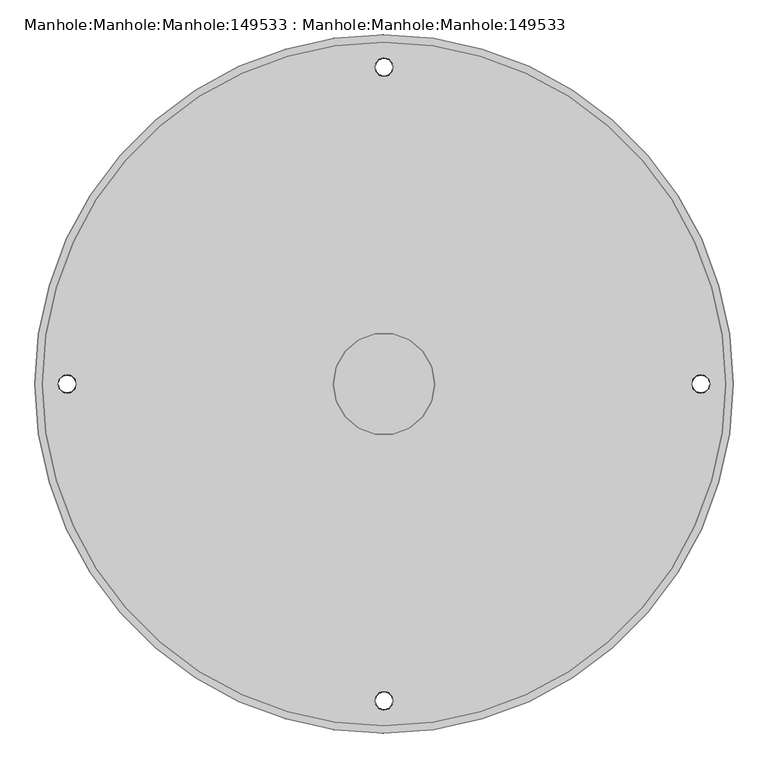
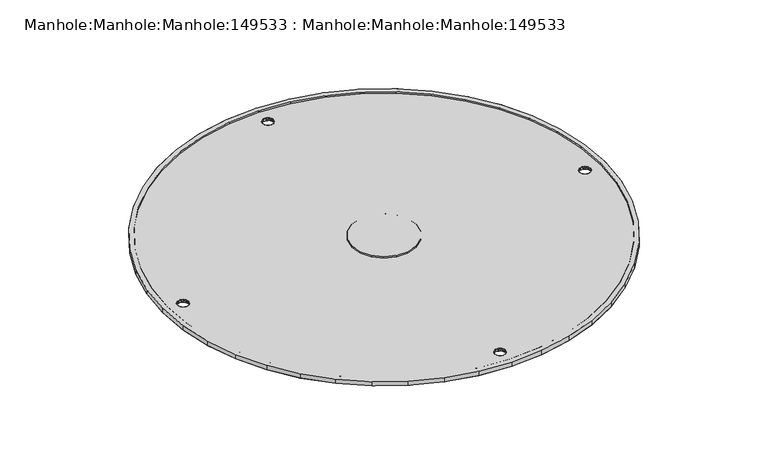
"""IFC4 building model written with IfcOpenShell, lengths in millimetres: proxy geometry, Manhole:Manhole:Manhole:149533 : Manhole:Manhole:Manhole:149533."""

import ifcopenshell
import ifcopenshell.guid

model = None  # the IFC model being written
_history = None  # IfcOwnerHistory: only IFC2X3 demands one
_inside = {}  # id of a spatial element -> (the spatial element, [elements in it])
_under = {}  # id of a project, library or spatial element -> (it, [spatial elements below it])
_declared = {}  # id of a project -> (the project, [libraries it declares])
_typed = {}  # id of a type object -> (the type object, [elements of that type])
_made_of = {}  # id of a material, layer set ... -> (it, [elements and type objects made of it])


def new_model(schema):
    """Start an empty IFC model of exactly this schema.

    Asked for "IFC4X3", IfcOpenShell would pick the latest addendum, in which some entities
    have other attributes; the version numbers below select the first issue.
    IFC2X3 requires an IfcOwnerHistory on every rooted entity: one is made here for all.
    """
    global model, _history
    if schema == "IFC4X3":
        model = ifcopenshell.file(schema_version=(4, 3, 0, 0))
    else:
        model = ifcopenshell.file(schema=schema)
    _inside.clear()
    _under.clear()
    _declared.clear()
    _typed.clear()
    _made_of.clear()
    _history = None
    if model.schema == "IFC2X3":
        org = make("IfcOrganization", Name="unknown")
        user = make(
            "IfcPersonAndOrganization",
            ThePerson=make("IfcPerson", FamilyName="unknown"),
            TheOrganization=org,
        )
        app = make(
            "IfcApplication",
            ApplicationDeveloper=org,
            Version="unknown",
            ApplicationFullName="unknown",
            ApplicationIdentifier="unknown",
        )
        _history = make(
            "IfcOwnerHistory",
            OwningUser=user,
            OwningApplication=app,
            ChangeAction="ADDED",
            CreationDate=0,
        )
    return model


def make(cls, **values):
    """One entity of the class cls with the attributes given. An attribute that is None is left unset."""
    return model.create_entity(
        cls, **{name: value for name, value in values.items() if value is not None}
    )


def rooted(cls, **values):
    """An entity with a GlobalId (a new one), such as an element, a storey or a relation."""
    return make(cls, GlobalId=ifcopenshell.guid.new(), OwnerHistory=_history, **values)


def si_unit(unit_type, name, prefix=None):
    """IfcSIUnit, for example si_unit("LENGTHUNIT", "METRE", prefix="MILLI")."""
    return make("IfcSIUnit", UnitType=unit_type, Prefix=prefix, Name=name)


def assignment(units):
    """IfcUnitAssignment: the units of a project."""
    return None if units is None else make("IfcUnitAssignment", Units=units)


def point(xyz):
    """IfcCartesianPoint."""
    return None if xyz is None else make("IfcCartesianPoint", Coordinates=xyz)


def direction(xyz):
    """IfcDirection."""
    return None if xyz is None else make("IfcDirection", DirectionRatios=xyz)


def frame(location, z_axis=None, x_axis=None):
    """IfcAxis2Placement3D, a coordinate frame: its origin and axes. An axis left out is left unset."""
    return make(
        "IfcAxis2Placement3D",
        Location=point(location),
        Axis=direction(z_axis),
        RefDirection=direction(x_axis),
    )


def origin():
    """The frame at (0, 0, 0) with its axes left unset."""
    return frame((0.0, 0.0, 0.0))


def place(relative_to, where):
    """IfcLocalPlacement: puts the frame where relative to a parent placement (None: the world)."""
    return make(
        "IfcLocalPlacement", PlacementRelTo=relative_to, RelativePlacement=where
    )


def context(
    kind, dimensions, precision=None, world=None, true_north=None, identifier=None
):
    """IfcGeometricRepresentationContext, for example the 3D "Model" context."""
    return make(
        "IfcGeometricRepresentationContext",
        ContextIdentifier=identifier,
        ContextType=kind,
        CoordinateSpaceDimension=dimensions,
        Precision=precision,
        WorldCoordinateSystem=world,
        TrueNorth=true_north,
    )


def project(units=None, contexts=None):
    """IfcProject with its units and contexts."""
    return rooted(
        "IfcProject",
        Name="project",
        RepresentationContexts=contexts,
        UnitsInContext=assignment(units),
    )


def spatial(cls, under=None, at=None, **own):
    """A site, building, storey or space (cls), placed at a placement, below another one or the project."""
    s = rooted(cls, ObjectPlacement=at, **own)
    if under is not None:
        _under.setdefault(under.id(), (under, []))[1].append(s)
    return s


def point_list(points):
    """IfcCartesianPointList2D or 3D."""
    cls = (
        "IfcCartesianPointList2D" if len(points[0]) == 2 else "IfcCartesianPointList3D"
    )
    return make(cls, CoordList=points)


def triangles(points, corners, closed=None, point_numbers=None):
    """IfcTriangulatedFaceSet: each triangle names its three corners, points numbered from 1."""
    return make(
        "IfcTriangulatedFaceSet",
        Coordinates=point_list(points),
        Closed=closed,
        CoordIndex=corners,
        PnIndex=point_numbers,
    )


def shape(context_of_items, identifier, shape_type, items):
    """IfcShapeRepresentation: the items that make up one representation, for example the "Body"."""
    return make(
        "IfcShapeRepresentation",
        ContextOfItems=context_of_items,
        RepresentationIdentifier=identifier,
        RepresentationType=shape_type,
        Items=items,
    )


def source(mapping_origin, context_of_items, identifier, shape_type, items):
    """IfcRepresentationMap: a shape defined once, which mapped items show again and again."""
    return make(
        "IfcRepresentationMap",
        MappingOrigin=mapping_origin,
        MappedRepresentation=shape(context_of_items, identifier, shape_type, items),
    )


def transform(
    local_origin,
    x_axis=None,
    y_axis=None,
    z_axis=None,
    scale=None,
    scale2=None,
    scale3=None,
    uniform=True,
):
    """IfcCartesianTransformationOperator3D, or its non-uniform kind. x_axis, y_axis, z_axis: its Axis1, 2, 3."""
    if uniform:
        return make(
            "IfcCartesianTransformationOperator3D",
            Axis1=direction(x_axis),
            Axis2=direction(y_axis),
            LocalOrigin=point(local_origin),
            Scale=scale,
            Axis3=direction(z_axis),
        )
    return make(
        "IfcCartesianTransformationOperator3DnonUniform",
        Axis1=direction(x_axis),
        Axis2=direction(y_axis),
        LocalOrigin=point(local_origin),
        Scale=scale,
        Axis3=direction(z_axis),
        Scale2=scale2,
        Scale3=scale3,
    )


def mapped(mapping_source, mapping_target):
    """IfcMappedItem: shows the shape of a source again, moved by a transform."""
    return make(
        "IfcMappedItem", MappingSource=mapping_source, MappingTarget=mapping_target
    )


def made_of(thing, what):
    """Note that an element or type object is made of a material, layer set ...; save() writes the relation."""
    if what is not None:
        _made_of.setdefault(what.id(), (what, []))[1].append(thing)
    return thing


def element(
    cls,
    number,
    at=None,
    inside=None,
    cuts=None,
    type_object=None,
    material=None,
    context=None,
    identifier="Body",
    shape_type=None,
    held_by="IfcProductDefinitionShape",
    body=None,
    shapes=None,
    **own,
):
    """One element of the class cls, such as IfcWall. Its Tag is "e" and its number.

    at: its placement. inside: the storey or other place that contains it. cuts: it is an
    opening in that element (IfcRelVoidsElement). A single representation is given by context,
    identifier, shape_type and body (its items); several are given by shapes. held_by: the class
    of the entity that holds the representations. save() writes the other relations.
    """
    e = rooted(cls, Tag="e%d" % number, ObjectPlacement=at, **own)
    if body is not None:
        shapes = [shape(context, identifier, shape_type, body)]
    if shapes is not None:
        e.Representation = make(held_by, Representations=shapes)
    if inside is not None:
        _inside.setdefault(inside.id(), (inside, []))[1].append(e)
    if cuts is not None:
        rooted(
            "IfcRelVoidsElement", RelatingBuildingElement=cuts, RelatedOpeningElement=e
        )
    if type_object is not None:
        _typed.setdefault(type_object.id(), (type_object, []))[1].append(e)
    return made_of(e, material)


def aggregate(whole, parts):
    """IfcRelAggregates: a whole, such as a stair, and the parts it consists of."""
    return rooted("IfcRelAggregates", RelatingObject=whole, RelatedObjects=parts)


def save(model, path):
    """Write the relations noted so far, then the file.

    IfcRelAggregates (storeys below a building ...), IfcRelContainedInSpatialStructure (elements
    in a storey), IfcRelDefinesByType, IfcRelAssociatesMaterial and IfcRelDeclares: one each for
    every whole, place, type object, material and project.
    """
    for whole, parts in _under.values():
        aggregate(whole, parts)
    for where, things in _inside.values():
        rooted(
            "IfcRelContainedInSpatialStructure",
            RelatedElements=things,
            RelatingStructure=where,
        )
    for kind, things in _typed.values():
        rooted("IfcRelDefinesByType", RelatedObjects=things, RelatingType=kind)
    for what, things in _made_of.values():
        rooted("IfcRelAssociatesMaterial", RelatedObjects=things, RelatingMaterial=what)
    for by, libraries in _declared.values():
        rooted("IfcRelDeclares", RelatingContext=by, RelatedDefinitions=libraries)
    model.write(path)


def manhole_manhole_manhole_149533_manhole_manhole_manhole_1e69901c(model_context):
    return source(origin(), model_context, "Body", "Tessellation", [
        triangles([(-93507.5947266, 61905.3795044, 238528.8823242), (-93513.798999, 61992.1323486, 238528.8823242), (-93532.2908936, 62077.1225098, 238528.8823242), (-93562.6797363, 62158.61521, 238528.8823242), (-93604.3702148, 62234.9547363, 238528.8823242), (-93656.4879639, 62304.5830444, 238528.8823242), (-93717.9911865, 62366.0816162, 238528.8823242), (-93787.6241455, 62418.208667, 238528.8823242), (-93863.9543701, 62459.8898438, 238528.8823242), (-93945.4470703, 62490.2879883, 238528.8823242), (-94030.4372314, 62508.7752319, 238528.8823242), (-94117.1947266, 62514.9795044, 238528.8823242), (-94203.9522217, 62508.7752319, 238528.8823242), (-94288.9423828, 62490.2879883, 238528.8823242), (-94370.435083, 62459.8898438, 238528.8823242), (-94446.7653076, 62418.208667, 238528.8823242), (-94516.3982666, 62366.0816162, 238528.8823242), (-94577.9014893, 62304.5830444, 238528.8823242), (-94630.0192383, 62234.9547363, 238528.8823242), (-94671.7097168, 62158.61521, 238528.8823242), (-94702.0985596, 62077.1225098, 238528.8823242), (-94720.5904541, 61992.1323486, 238528.8823242), (-94726.7947266, 61905.3795044, 238528.8823242), (-94720.5904541, 61818.6220093, 238528.8823242), (-94702.0985596, 61733.636499, 238528.8823242), (-94671.7097168, 61652.1437988, 238528.8823242), (-94630.0192383, 61575.8042725, 238528.8823242), (-94577.9014893, 61506.1759644, 238528.8823242), (-94516.3982666, 61444.6727417, 238528.8823242), (-94446.7653076, 61392.5503418, 238528.8823242), (-94370.435083, 61350.869165, 238528.8823242), (-94288.9423828, 61320.4710205, 238528.8823242), (-94203.9522217, 61301.9837769, 238528.8823242), (-94117.1947266, 61295.7795044, 238528.8823242), (-94030.4372314, 61301.9837769, 238528.8823242), (-93945.4470703, 61320.4710205, 238528.8823242), (-93863.9543701, 61350.869165, 238528.8823242), (-93787.6241455, 61392.5503418, 238528.8823242), (-93717.9911865, 61444.6727417, 238528.8823242), (-93656.4879639, 61506.1759644, 238528.8823242), (-93604.3702148, 61575.8042725, 238528.8823242), (-93562.6797363, 61652.1437988, 238528.8823242), (-93532.2908936, 61733.636499, 238528.8823242), (-93513.798999, 61818.6220093, 238528.8823242), (-94714.0978271, 61905.3795044, 238528.8823242), (-94708.0237793, 61990.3278076, 238528.8823242), (-94689.9132568, 62073.5459839, 238528.8823242), (-94660.1569336, 62153.3411133, 238528.8823242), (-94619.3408203, 62228.0853882, 238528.8823242), (-94568.3020752, 62296.2672729, 238528.8823242), (-94508.0824951, 62356.486853, 238528.8823242), (-94439.9006104, 62407.5209473, 238528.8823242), (-94365.1516846, 62448.3370605, 238528.8823242), (-94285.3612061, 62478.0980347, 238528.8823242), (-94202.1383789, 62496.2039063, 238528.8823242), (-94117.1947266, 62502.2779541, 238528.8823242), (-94032.2510742, 62496.2039063, 238528.8823242), (-93949.0282471, 62478.0980347, 238528.8823242), (-93869.2377686, 62448.3370605, 238528.8823242), (-93794.4888428, 62407.5209473, 238528.8823242), (-93726.306958, 62356.486853, 238528.8823242), (-93666.0873779, 62296.2672729, 238528.8823242), (-93615.0486328, 62228.0853882, 238528.8823242), (-93574.2325195, 62153.3411133, 238528.8823242), (-93544.4761963, 62073.5459839, 238528.8823242), (-93526.3749756, 61990.3278076, 238528.8823242), (-93520.291626, 61905.3795044, 238528.8823242), (-93526.3749756, 61820.4312012, 238528.8823242), (-93544.4761963, 61737.2130249, 238528.8823242), (-93574.2325195, 61657.4178955, 238528.8823242), (-93615.0486328, 61582.6689697, 238528.8823242), (-93666.0873779, 61514.4917358, 238528.8823242), (-93726.306958, 61454.2721558, 238528.8823242), (-93794.4888428, 61403.2334106, 238528.8823242), (-93869.2377686, 61362.4172974, 238528.8823242), (-93949.0282471, 61332.6563232, 238528.8823242), (-94032.2510742, 61314.5551025, 238528.8823242), (-94117.1947266, 61308.4810547, 238528.8823242), (-94202.1383789, 61314.5551025, 238528.8823242), (-94285.3612061, 61332.6563232, 238528.8823242), (-94365.1516846, 61362.4172974, 238528.8823242), (-94439.9006104, 61403.2334106, 238528.8823242), (-94508.0824951, 61454.2721558, 238528.8823242), (-94568.3020752, 61514.4917358, 238528.8823242), (-94619.3408203, 61582.6689697, 238528.8823242), (-94660.1569336, 61657.4178955, 238528.8823242), (-94689.9132568, 61737.2130249, 238528.8823242), (-94708.0237793, 61820.4312012, 238528.8823242), (-94206.091626, 61905.3795044, 238528.8823242), (-94200.7338135, 61874.9720581, 238528.8823242), (-94185.2928955, 61848.2341553, 238528.8823242), (-94161.6478271, 61828.388855, 238528.8823242), (-94132.6356445, 61817.8313599, 238528.8823242), (-94101.7538086, 61817.8313599, 238528.8823242), (-94072.741626, 61828.388855, 238528.8823242), (-94049.0965576, 61848.2341553, 238528.8823242), (-94033.6556396, 61874.9720581, 238528.8823242), (-94028.2978271, 61905.3795044, 238528.8823242), (-94033.6556396, 61935.7822998, 238528.8823242), (-94049.0965576, 61962.5248535, 238528.8823242), (-94072.741626, 61982.3701538, 238528.8823242), (-94101.7538086, 61992.9276489, 238528.8823242), (-94132.6356445, 61992.9276489, 238528.8823242), (-94161.6478271, 61982.3701538, 238528.8823242), (-94185.2928955, 61962.5248535, 238528.8823242), (-94200.7338135, 61935.7822998, 238528.8823242), (-93507.5947266, 61905.3795044, 238516.176123), (-93513.798999, 61818.6220093, 238516.176123), (-93532.2908936, 61733.636499, 238516.176123), (-93562.6797363, 61652.1437988, 238516.176123), (-93604.3702148, 61575.8042725, 238516.176123), (-93656.4879639, 61506.1759644, 238516.176123), (-93717.9911865, 61444.6727417, 238516.176123), (-93787.6241455, 61392.5503418, 238516.176123), (-93863.9543701, 61350.869165, 238516.176123), (-93945.4470703, 61320.4710205, 238516.176123), (-94030.4372314, 61301.9837769, 238516.176123), (-94117.1947266, 61295.7795044, 238516.176123), (-94203.9522217, 61301.9837769, 238516.176123), (-94288.9423828, 61320.4710205, 238516.176123), (-94370.435083, 61350.869165, 238516.176123), (-94446.7653076, 61392.5503418, 238516.176123), (-94516.3982666, 61444.6727417, 238516.176123), (-94577.9014893, 61506.1759644, 238516.176123), (-94630.0192383, 61575.8042725, 238516.176123), (-94671.7097168, 61652.1437988, 238516.176123), (-94702.0985596, 61733.636499, 238516.176123), (-94720.5904541, 61818.6220093, 238516.176123), (-94726.7947266, 61905.3795044, 238516.176123), (-94720.5904541, 61992.1323486, 238516.176123), (-94702.0985596, 62077.1225098, 238516.176123), (-94671.7097168, 62158.61521, 238516.176123), (-94630.0192383, 62234.9547363, 238516.176123), (-94577.9014893, 62304.5830444, 238516.176123), (-94516.3982666, 62366.0816162, 238516.176123), (-94446.7653076, 62418.208667, 238516.176123), (-94370.435083, 62459.8898438, 238516.176123), (-94288.9423828, 62490.2879883, 238516.176123), (-94203.9522217, 62508.7752319, 238516.176123), (-94117.1947266, 62514.9795044, 238516.176123), (-94030.4372314, 62508.7752319, 238516.176123), (-93945.4470703, 62490.2879883, 238516.176123), (-93863.9543701, 62459.8898438, 238516.176123), (-93787.6241455, 62418.208667, 238516.176123), (-93717.9911865, 62366.0816162, 238516.176123), (-93656.4879639, 62304.5830444, 238516.176123), (-93604.3702148, 62234.9547363, 238516.176123), (-93562.6797363, 62158.61521, 238516.176123), (-93532.2908936, 62077.1225098, 238516.176123), (-93513.798999, 61992.1323486, 238516.176123), (-94101.1864014, 61352.0318848, 238516.176123), (-94102.7677002, 61358.9802979, 238516.176123), (-94107.2139404, 61364.5520508, 238516.176123), (-94113.6321533, 61367.6402344, 238516.176123), (-94120.7572998, 61367.6402344, 238516.176123), (-94127.1755127, 61364.5520508, 238516.176123), (-94131.6217529, 61358.9802979, 238516.176123), (-94133.2030518, 61352.0318848, 238516.176123), (-94131.6217529, 61345.0834717, 238516.176123), (-94127.1755127, 61339.5163696, 238516.176123), (-94120.7572998, 61336.4235352, 238516.176123), (-94113.6321533, 61336.4235352, 238516.176123), (-94107.2139404, 61339.5163696, 238516.176123), (-94102.7677002, 61345.0834717, 238516.176123), (-94101.1864014, 62458.727124, 238516.176123), (-94102.7677002, 62465.6708862, 238516.176123), (-94107.2139404, 62471.2426392, 238516.176123), (-94113.6321533, 62474.3354736, 238516.176123), (-94120.7572998, 62474.3354736, 238516.176123), (-94127.1755127, 62471.2426392, 238516.176123), (-94131.6217529, 62465.6708862, 238516.176123), (-94133.2030518, 62458.727124, 238516.176123), (-94131.6217529, 62451.7787109, 238516.176123), (-94127.1755127, 62446.206958, 238516.176123), (-94120.7572998, 62443.1141235, 238516.176123), (-94113.6321533, 62443.1141235, 238516.176123), (-94107.2139404, 62446.206958, 238516.176123), (-94102.7677002, 62451.7787109, 238516.176123), (-94654.5293701, 61905.3795044, 238516.176123), (-94656.1199707, 61912.3279175, 238516.176123), (-94660.5569092, 61917.8950195, 238516.176123), (-94666.9751221, 61920.987854, 238516.176123), (-94674.1002686, 61920.987854, 238516.176123), (-94680.5277832, 61917.8950195, 238516.176123), (-94684.9647217, 61912.3279175, 238516.176123), (-94686.5553223, 61905.3795044, 238516.176123), (-94684.9647217, 61898.4310913, 238516.176123), (-94680.5277832, 61892.8593384, 238516.176123), (-94674.1002686, 61889.7711548, 238516.176123), (-94666.9751221, 61889.7711548, 238516.176123), (-94660.5569092, 61892.8593384, 238516.176123), (-94656.1199707, 61898.4310913, 238516.176123), (-93579.860083, 61905.3795044, 238516.176123), (-93578.2694824, 61898.4310913, 238516.176123), (-93573.8325439, 61892.8593384, 238516.176123), (-93567.4143311, 61889.7711548, 238516.176123), (-93560.2891846, 61889.7711548, 238516.176123), (-93553.8616699, 61892.8593384, 238516.176123), (-93549.4247314, 61898.4310913, 238516.176123), (-93547.8341309, 61905.3795044, 238516.176123), (-93549.4247314, 61912.3279175, 238516.176123), (-93553.8616699, 61917.8950195, 238516.176123), (-93560.2891846, 61920.987854, 238516.176123), (-93567.4143311, 61920.987854, 238516.176123), (-93573.8325439, 61917.8950195, 238516.176123), (-93578.2694824, 61912.3279175, 238516.176123), (-94132.1333496, 61356.0362915, 238524.1198242), (-94131.0636475, 61360.0360474, 238524.1198242), (-94106.2558594, 61362.9661011, 238524.1198242), (-94104.9908203, 61361.7661743, 238516.176123), (-94129.3986328, 61361.7661743, 238516.176123), (-94132.4124023, 61355.5060913, 238516.176123), (-94133.2030518, 61352.0318848, 238524.1198242), (-94102.2561035, 61356.0362915, 238524.1198242), (-94101.9770508, 61355.5060913, 238516.176123), (-94101.1864014, 61352.0318848, 238524.1198242), (-94125.20354, 61365.8961548, 238524.1198242), (-94128.1335937, 61362.9661011, 238524.1198242), (-94117.1947266, 61368.0448608, 238524.1198242), (-94117.1947266, 61367.6402344, 238516.176123), (-94110.4230469, 61366.0961426, 238516.176123), (-94109.1859131, 61365.8961548, 238524.1198242), (-94113.1949707, 61366.9705078, 238524.1198242), (-94121.1944824, 61366.9705078, 238524.1198242), (-94123.9664063, 61366.0961426, 238516.176123), (-94103.3258057, 61360.0360474, 238524.1198242), (-94103.3258057, 61344.0277222, 238524.1198242), (-94102.2561035, 61348.027478, 238524.1198242), (-94129.3986328, 61342.3022461, 238516.176123), (-94128.1335937, 61341.0976685, 238524.1198242), (-94104.9908203, 61342.3022461, 238516.176123), (-94101.9770508, 61348.5576782, 238516.176123), (-94132.4124023, 61348.5576782, 238516.176123), (-94132.1333496, 61348.027478, 238524.1198242), (-94106.2558594, 61341.0976685, 238524.1198242), (-94109.1859131, 61338.1676147, 238524.1198242), (-94117.1947266, 61336.4235352, 238516.176123), (-94117.1947266, 61336.0235596, 238524.1198242), (-94125.20354, 61338.1676147, 238524.1198242), (-94123.9664063, 61337.967627, 238516.176123), (-94121.1944824, 61337.0932617, 238524.1198242), (-94113.1949707, 61337.0932617, 238524.1198242), (-94110.4230469, 61337.967627, 238516.176123), (-94131.0636475, 61344.0277222, 238524.1198242), (-94131.0636475, 62466.7312866, 238524.1198242), (-94132.1333496, 62462.7268799, 238524.1198242), (-94104.9908203, 62468.4567627, 238516.176123), (-94106.2558594, 62469.6613403, 238524.1198242), (-94129.3986328, 62468.4567627, 238516.176123), (-94133.2030518, 62458.727124, 238524.1198242), (-94132.4124023, 62462.1966797, 238516.176123), (-94101.1864014, 62458.727124, 238524.1198242), (-94101.9770508, 62462.1966797, 238516.176123), (-94102.2561035, 62462.7268799, 238524.1198242), (-94128.1335937, 62469.6613403, 238524.1198242), (-94125.20354, 62472.591394, 238524.1198242), (-94117.1947266, 62474.3354736, 238516.176123), (-94117.1947266, 62474.7354492, 238524.1198242), (-94109.1859131, 62472.591394, 238524.1198242), (-94110.4230469, 62472.786731, 238516.176123), (-94113.1949707, 62473.6657471, 238524.1198242), (-94121.1944824, 62473.6657471, 238524.1198242), (-94123.9664063, 62472.786731, 238516.176123), (-94103.3258057, 62466.7312866, 238524.1198242), (-94102.2561035, 62454.7227173, 238524.1198242), (-94103.3258057, 62450.7183105, 238524.1198242), (-94128.1335937, 62447.7882568, 238524.1198242), (-94129.3986328, 62448.9928345, 238516.176123), (-94104.9908203, 62448.9928345, 238516.176123), (-94101.9770508, 62455.2529175, 238516.176123), (-94132.1333496, 62454.7227173, 238524.1198242), (-94132.4124023, 62455.2529175, 238516.176123), (-94109.1859131, 62444.8582031, 238524.1198242), (-94106.2558594, 62447.7882568, 238524.1198242), (-94117.1947266, 62442.7141479, 238524.1198242), (-94117.1947266, 62443.1141235, 238516.176123), (-94123.9664063, 62444.6628662, 238516.176123), (-94125.20354, 62444.8582031, 238524.1198242), (-94121.1944824, 62443.788501, 238524.1198242), (-94113.1949707, 62443.788501, 238524.1198242), (-94110.4230469, 62444.6628662, 238516.176123), (-94131.0636475, 62450.7183105, 238524.1198242), (-94684.4066162, 61913.383667, 238524.1198242), (-94685.4763184, 61909.3792603, 238524.1198242), (-94659.6081299, 61916.3137207, 238524.1198242), (-94658.3337891, 61915.1091431, 238516.176123), (-94682.7416016, 61915.1091431, 238516.176123), (-94686.5553223, 61905.3795044, 238524.1198242), (-94685.7553711, 61908.8537109, 238516.176123), (-94655.5990723, 61909.3792603, 238524.1198242), (-94655.3200195, 61908.8537109, 238516.176123), (-94654.5293701, 61905.3795044, 238524.1198242), (-94681.4765625, 61916.3137207, 238524.1198242), (-94678.5465088, 61919.2437744, 238524.1198242), (-94670.5376953, 61920.987854, 238516.176123), (-94670.5376953, 61921.3878296, 238524.1198242), (-94663.7660156, 61919.4437622, 238516.176123), (-94662.5381836, 61919.2437744, 238524.1198242), (-94666.5379395, 61920.3181274, 238524.1198242), (-94674.5467529, 61920.3181274, 238524.1198242), (-94677.3186768, 61919.4437622, 238516.176123), (-94656.6780762, 61913.383667, 238524.1198242), (-94655.5990723, 61901.3750977, 238524.1198242), (-94656.6780762, 61897.3753418, 238524.1198242), (-94682.7416016, 61895.6452148, 238516.176123), (-94681.4765625, 61894.4452881, 238524.1198242), (-94658.3337891, 61895.6452148, 238516.176123), (-94655.3200195, 61901.9052979, 238516.176123), (-94685.7553711, 61901.9052979, 238516.176123), (-94685.4763184, 61901.3750977, 238524.1198242), (-94662.5381836, 61891.5152344, 238524.1198242), (-94659.6081299, 61894.4452881, 238524.1198242), (-94670.5376953, 61889.7711548, 238516.176123), (-94670.5376953, 61889.3665283, 238524.1198242), (-94678.5465088, 61891.5152344, 238524.1198242), (-94677.3186768, 61891.3152466, 238516.176123), (-94674.5467529, 61890.4408813, 238524.1198242), (-94666.5379395, 61890.4408813, 238524.1198242), (-94663.7660156, 61891.3152466, 238516.176123), (-94684.4066162, 61897.3753418, 238524.1198242), (-93549.9828369, 61897.3753418, 238524.1198242), (-93548.9131348, 61901.3750977, 238524.1198242), (-93574.7813232, 61894.4452881, 238524.1198242), (-93576.0556641, 61895.6452148, 238516.176123), (-93551.6478516, 61895.6452148, 238516.176123), (-93547.8341309, 61905.3795044, 238524.1198242), (-93548.634082, 61901.9052979, 238516.176123), (-93578.7903809, 61901.3750977, 238524.1198242), (-93579.0694336, 61901.9052979, 238516.176123), (-93579.860083, 61905.3795044, 238524.1198242), (-93552.9128906, 61894.4452881, 238524.1198242), (-93555.8429443, 61891.5152344, 238524.1198242), (-93563.8517578, 61889.7711548, 238516.176123), (-93563.8517578, 61889.3665283, 238524.1198242), (-93570.6234375, 61891.3152466, 238516.176123), (-93571.8512695, 61891.5152344, 238524.1198242), (-93567.8515137, 61890.4408813, 238524.1198242), (-93559.8427002, 61890.4408813, 238524.1198242), (-93557.0800781, 61891.3152466, 238516.176123), (-93577.711377, 61897.3753418, 238524.1198242), (-93578.7903809, 61909.3792603, 238524.1198242), (-93577.711377, 61913.383667, 238524.1198242), (-93551.6478516, 61915.1091431, 238516.176123), (-93552.9128906, 61916.3137207, 238524.1198242), (-93576.0556641, 61915.1091431, 238516.176123), (-93579.0694336, 61908.8537109, 238516.176123), (-93548.634082, 61908.8537109, 238516.176123), (-93548.9131348, 61909.3792603, 238524.1198242), (-93571.8512695, 61919.2437744, 238524.1198242), (-93574.7813232, 61916.3137207, 238524.1198242), (-93563.8517578, 61920.987854, 238516.176123), (-93563.8517578, 61921.3878296, 238524.1198242), (-93555.8429443, 61919.2437744, 238524.1198242), (-93557.0800781, 61919.4437622, 238516.176123), (-93559.8427002, 61920.3181274, 238524.1198242), (-93567.8515137, 61920.3181274, 238524.1198242), (-93570.6234375, 61919.4437622, 238516.176123), (-93549.9828369, 61913.383667, 238524.1198242), (-93520.291626, 61905.3795044, 238524.1198242), (-93526.3749756, 61990.3278076, 238524.1198242), (-93544.4761963, 62073.5459839, 238524.1198242), (-93574.2325195, 62153.3411133, 238524.1198242), (-93615.0486328, 62228.0853882, 238524.1198242), (-93666.0873779, 62296.2672729, 238524.1198242), (-93726.306958, 62356.486853, 238524.1198242), (-93794.4888428, 62407.5209473, 238524.1198242), (-93869.2377686, 62448.3370605, 238524.1198242), (-93949.0282471, 62478.0980347, 238524.1198242), (-94032.2510742, 62496.2039063, 238524.1198242), (-94117.1947266, 62502.2779541, 238524.1198242), (-94202.1383789, 62496.2039063, 238524.1198242), (-94285.3612061, 62478.0980347, 238524.1198242), (-94365.1516846, 62448.3370605, 238524.1198242), (-94439.9006104, 62407.5209473, 238524.1198242), (-94508.0824951, 62356.486853, 238524.1198242), (-94568.3020752, 62296.2672729, 238524.1198242), (-94619.3408203, 62228.0853882, 238524.1198242), (-94660.1569336, 62153.3411133, 238524.1198242), (-94689.9132568, 62073.5459839, 238524.1198242), (-94708.0237793, 61990.3278076, 238524.1198242), (-94714.0978271, 61905.3795044, 238524.1198242), (-94708.0237793, 61820.4312012, 238524.1198242), (-94689.9132568, 61737.2130249, 238524.1198242), (-94660.1569336, 61657.4178955, 238524.1198242), (-94619.3408203, 61582.6689697, 238524.1198242), (-94568.3020752, 61514.4917358, 238524.1198242), (-94508.0824951, 61454.2721558, 238524.1198242), (-94439.9006104, 61403.2334106, 238524.1198242), (-94365.1516846, 61362.4172974, 238524.1198242), (-94285.3612061, 61332.6563232, 238524.1198242), (-94202.1383789, 61314.5551025, 238524.1198242), (-94117.1947266, 61308.4810547, 238524.1198242), (-94032.2510742, 61314.5551025, 238524.1198242), (-93949.0282471, 61332.6563232, 238524.1198242), (-93869.2377686, 61362.4172974, 238524.1198242), (-93794.4888428, 61403.2334106, 238524.1198242), (-93726.306958, 61454.2721558, 238524.1198242), (-93666.0873779, 61514.4917358, 238524.1198242), (-93615.0486328, 61582.6689697, 238524.1198242), (-93574.2325195, 61657.4178955, 238524.1198242), (-93544.4761963, 61737.2130249, 238524.1198242), (-93526.3749756, 61820.4312012, 238524.1198242), (-94028.2978271, 61905.3795044, 238524.1198242), (-94033.6556396, 61874.9720581, 238524.1198242), (-94049.0965576, 61848.2341553, 238524.1198242), (-94072.741626, 61828.388855, 238524.1198242), (-94101.7538086, 61817.8313599, 238524.1198242), (-94132.6356445, 61817.8313599, 238524.1198242), (-94161.6478271, 61828.388855, 238524.1198242), (-94185.2928955, 61848.2341553, 238524.1198242), (-94200.7338135, 61874.9720581, 238524.1198242), (-94206.091626, 61905.3795044, 238524.1198242), (-94200.7338135, 61935.7822998, 238524.1198242), (-94185.2928955, 61962.5248535, 238524.1198242), (-94161.6478271, 61982.3701538, 238524.1198242), (-94132.6356445, 61992.9276489, 238524.1198242), (-94101.7538086, 61992.9276489, 238524.1198242), (-94072.741626, 61982.3701538, 238524.1198242), (-94049.0965576, 61962.5248535, 238524.1198242), (-94033.6556396, 61935.7822998, 238524.1198242)], [[38, 74, 75], [74, 38, 39], [39, 40, 73], [39, 73, 74], [35, 36, 77], [77, 36, 76], [35, 77, 78], [76, 37, 75], [37, 76, 36], [75, 37, 38], [73, 40, 72], [43, 44, 68], [44, 67, 68], [67, 44, 1], [67, 1, 66], [43, 68, 69], [72, 41, 71], [41, 72, 40], [71, 41, 42], [42, 69, 70], [69, 42, 43], [42, 70, 71], [33, 34, 79], [79, 80, 33], [78, 79, 34], [34, 35, 78], [33, 80, 32], [32, 81, 31], [81, 32, 80], [31, 81, 82], [29, 30, 83], [82, 30, 31], [82, 83, 30], [84, 29, 83], [29, 84, 28], [85, 27, 28], [27, 85, 86], [85, 28, 84], [25, 26, 87], [86, 26, 27], [87, 26, 86], [88, 24, 25], [24, 88, 45], [88, 25, 87], [66, 2, 65], [2, 66, 1], [64, 65, 3], [3, 65, 2], [64, 3, 4], [4, 63, 64], [63, 4, 5], [63, 5, 62], [62, 6, 61], [6, 62, 5], [61, 6, 7], [60, 7, 8], [8, 9, 59], [59, 9, 58], [8, 59, 60], [58, 10, 57], [10, 58, 9], [57, 10, 11], [56, 11, 12], [11, 56, 57], [56, 12, 55], [60, 61, 7], [48, 20, 21], [20, 48, 49], [19, 49, 18], [18, 49, 50], [49, 19, 20], [45, 46, 23], [23, 46, 22], [45, 23, 24], [22, 47, 21], [47, 22, 46], [21, 47, 48], [53, 54, 14], [13, 14, 54], [13, 55, 12], [13, 54, 55], [53, 14, 15], [50, 17, 18], [50, 51, 17], [17, 51, 16], [52, 15, 16], [15, 52, 53], [52, 16, 51], [104, 105, 106], [106, 89, 104], [101, 104, 98], [103, 104, 102], [101, 99, 100], [102, 104, 101], [101, 98, 99], [98, 104, 89], [90, 91, 93], [92, 93, 91], [95, 89, 93], [97, 98, 95], [97, 95, 96], [89, 95, 98], [93, 94, 95], [93, 89, 90], [148, 206, 147], [149, 205, 148], [150, 203, 204], [203, 150, 202], [149, 150, 205], [146, 147, 206], [142, 143, 177], [143, 144, 177], [176, 145, 146], [144, 145, 176], [178, 141, 142], [204, 205, 150], [202, 107, 201], [107, 202, 150], [201, 107, 200], [199, 200, 107], [198, 199, 107], [198, 108, 197], [206, 176, 146], [205, 206, 148], [196, 197, 108], [154, 193, 194], [194, 195, 110], [176, 206, 193], [198, 107, 108], [193, 179, 175], [140, 167, 168], [140, 141, 167], [140, 168, 169], [165, 166, 141], [178, 165, 141], [141, 166, 167], [173, 138, 139], [170, 140, 169], [139, 140, 170], [171, 172, 139], [170, 171, 139], [172, 173, 139], [174, 137, 138], [174, 136, 137], [176, 193, 175], [136, 174, 175], [144, 176, 177], [174, 138, 173], [175, 134, 135], [135, 136, 175], [133, 134, 180], [133, 180, 132], [132, 181, 131], [131, 181, 130], [175, 180, 134], [178, 142, 177], [195, 196, 108], [195, 109, 110], [194, 110, 111], [194, 112, 154], [111, 112, 194], [112, 113, 154], [154, 114, 153], [153, 114, 115], [155, 193, 154], [193, 155, 179], [153, 115, 116], [154, 113, 114], [122, 155, 156], [151, 152, 117], [164, 151, 117], [164, 117, 163], [117, 152, 116], [163, 117, 118], [152, 153, 116], [158, 159, 119], [157, 158, 119], [162, 118, 161], [118, 162, 163], [160, 161, 118], [160, 119, 159], [119, 160, 118], [156, 157, 120], [182, 130, 181], [181, 132, 180], [179, 155, 192], [191, 192, 126], [179, 180, 175], [184, 185, 129], [184, 129, 130], [186, 187, 129], [188, 129, 187], [186, 129, 185], [184, 130, 183], [182, 183, 130], [123, 124, 155], [192, 155, 124], [121, 122, 156], [123, 155, 122], [125, 192, 124], [189, 190, 128], [188, 189, 128], [128, 191, 127], [190, 191, 128], [126, 127, 191], [125, 126, 192], [188, 128, 129], [156, 120, 121], [119, 120, 157], [195, 108, 109], [27, 26, 126], [126, 125, 27], [26, 25, 127], [127, 126, 26], [28, 27, 125], [125, 124, 28], [32, 31, 121], [121, 120, 32], [33, 32, 120], [120, 119, 33], [30, 29, 123], [123, 122, 30], [31, 30, 122], [122, 121, 31], [29, 28, 124], [124, 123, 29], [34, 33, 118], [119, 118, 33], [127, 25, 128], [24, 128, 25], [128, 24, 129], [23, 129, 24], [38, 37, 115], [115, 114, 38], [36, 35, 117], [117, 116, 36], [37, 36, 116], [116, 115, 37], [39, 38, 114], [114, 113, 39], [43, 42, 110], [110, 109, 43], [44, 43, 108], [109, 108, 43], [41, 40, 111], [112, 111, 40], [42, 41, 111], [111, 110, 42], [40, 39, 113], [113, 112, 40], [1, 44, 107], [108, 107, 44], [118, 117, 35], [35, 34, 118], [1, 107, 2], [150, 2, 107], [3, 149, 4], [148, 4, 149], [2, 150, 149], [149, 3, 2], [4, 148, 5], [147, 5, 148], [11, 10, 142], [142, 141, 11], [6, 146, 145], [145, 7, 6], [12, 11, 141], [141, 140, 12], [5, 147, 6], [146, 6, 147], [7, 145, 8], [144, 8, 145], [144, 143, 9], [9, 8, 144], [10, 9, 143], [143, 142, 10], [16, 15, 137], [137, 136, 16], [14, 13, 139], [139, 138, 14], [15, 14, 138], [138, 137, 15], [17, 16, 136], [136, 135, 17], [21, 20, 132], [132, 131, 21], [22, 21, 130], [131, 130, 21], [19, 18, 134], [134, 133, 19], [20, 19, 133], [133, 132, 20], [18, 17, 135], [135, 134, 18], [23, 22, 129], [130, 129, 22], [140, 139, 13], [13, 12, 140], [207, 157, 208], [209, 153, 210], [208, 157, 211], [158, 212, 213], [214, 215, 216], [156, 217, 218], [154, 219, 220], [155, 220, 219], [221, 153, 222], [211, 218, 208], [212, 157, 207], [212, 207, 213], [222, 223, 221], [155, 219, 224], [214, 152, 215], [217, 225, 224], [211, 156, 218], [209, 222, 153], [221, 223, 154], [155, 224, 225], [209, 210, 226], [214, 226, 152], [223, 219, 154], [151, 216, 215], [152, 226, 210], [217, 156, 225], [227, 164, 228], [229, 160, 230], [231, 164, 227], [216, 232, 151], [213, 233, 234], [235, 236, 163], [161, 237, 238], [162, 238, 237], [239, 160, 240], [227, 235, 231], [228, 164, 232], [216, 228, 232], [240, 241, 239], [242, 238, 162], [233, 159, 234], [242, 243, 236], [235, 163, 231], [160, 239, 230], [161, 241, 240], [243, 242, 162], [244, 229, 230], [159, 244, 234], [161, 238, 241], [233, 213, 158], [229, 244, 159], [243, 163, 236], [245, 171, 246], [247, 167, 248], [249, 171, 245], [250, 251, 172], [252, 253, 254], [255, 256, 170], [258, 168, 257], [257, 169, 258], [259, 167, 260], [245, 255, 249], [246, 171, 251], [250, 246, 251], [260, 261, 259], [262, 258, 169], [253, 166, 254], [262, 263, 256], [255, 170, 249], [167, 259, 248], [168, 261, 260], [263, 262, 169], [264, 247, 248], [166, 264, 254], [168, 258, 261], [253, 252, 165], [247, 264, 166], [263, 170, 256], [265, 178, 266], [267, 174, 268], [266, 178, 269], [165, 270, 252], [271, 272, 250], [177, 273, 274], [175, 275, 276], [176, 276, 275], [277, 174, 278], [269, 274, 266], [270, 178, 265], [270, 265, 252], [278, 279, 277], [176, 275, 280], [271, 173, 272], [273, 281, 280], [269, 177, 274], [267, 278, 174], [277, 279, 175], [176, 280, 281], [267, 268, 282], [271, 282, 173], [279, 275, 175], [172, 250, 272], [173, 282, 268], [273, 177, 281], [283, 185, 284], [285, 181, 286], [287, 185, 283], [288, 289, 186], [290, 291, 292], [293, 294, 184], [182, 295, 296], [183, 296, 295], [297, 181, 298], [283, 293, 287], [284, 185, 289], [288, 284, 289], [298, 299, 297], [300, 296, 183], [290, 180, 291], [300, 301, 294], [293, 184, 287], [285, 298, 181], [297, 299, 182], [301, 300, 183], [285, 286, 302], [290, 302, 180], [299, 296, 182], [291, 179, 292], [180, 302, 286], [301, 184, 294], [303, 192, 304], [305, 188, 306], [304, 192, 307], [179, 308, 292], [288, 309, 310], [191, 311, 312], [189, 313, 314], [190, 314, 313], [315, 188, 316], [307, 312, 304], [308, 192, 303], [308, 303, 292], [316, 317, 315], [190, 314, 318], [309, 187, 310], [311, 319, 318], [307, 191, 312], [188, 315, 306], [189, 317, 316], [190, 318, 319], [320, 305, 306], [187, 320, 310], [189, 314, 317], [309, 288, 186], [305, 320, 187], [311, 191, 319], [321, 199, 322], [323, 195, 324], [325, 199, 321], [326, 327, 200], [328, 329, 330], [331, 332, 198], [196, 333, 334], [197, 334, 333], [335, 195, 336], [321, 331, 325], [322, 199, 327], [326, 322, 327], [336, 337, 335], [338, 334, 197], [328, 194, 329], [338, 339, 332], [331, 198, 325], [323, 336, 195], [335, 337, 196], [339, 338, 197], [323, 324, 340], [328, 340, 194], [337, 334, 196], [193, 330, 329], [194, 340, 324], [339, 198, 332], [341, 206, 342], [343, 202, 344], [342, 206, 345], [330, 193, 346], [326, 347, 348], [205, 349, 350], [203, 351, 352], [204, 352, 351], [353, 202, 354], [345, 350, 342], [346, 206, 341], [346, 341, 330], [354, 355, 353], [204, 352, 356], [347, 201, 348], [349, 357, 356], [345, 205, 350], [202, 353, 344], [203, 355, 354], [204, 356, 357], [358, 343, 344], [201, 358, 348], [203, 352, 355], [347, 326, 200], [343, 358, 201], [349, 205, 357], [399, 405, 398], [399, 404, 405], [336, 401, 402], [334, 402, 332], [400, 401, 340], [399, 400, 404], [394, 226, 393], [395, 222, 394], [396, 397, 406], [405, 406, 397], [397, 398, 405], [396, 406, 395], [406, 222, 395], [334, 336, 402], [332, 359, 321], [359, 332, 402], [321, 359, 326], [358, 326, 359], [352, 353, 360], [358, 359, 353], [359, 360, 353], [340, 330, 404], [340, 404, 400], [420, 330, 342], [404, 330, 403], [361, 342, 349], [420, 403, 330], [401, 336, 340], [349, 352, 360], [392, 236, 238], [236, 392, 227], [392, 238, 239], [216, 393, 226], [394, 222, 226], [216, 227, 393], [392, 393, 227], [390, 391, 208], [244, 392, 239], [391, 392, 244], [208, 217, 390], [244, 213, 391], [208, 391, 213], [390, 217, 389], [217, 409, 389], [407, 219, 222], [408, 219, 407], [217, 219, 408], [409, 217, 408], [387, 409, 410], [389, 409, 388], [385, 410, 411], [409, 387, 388], [410, 386, 387], [386, 410, 385], [304, 383, 384], [384, 385, 411], [382, 383, 311], [411, 304, 384], [407, 222, 406], [342, 361, 362], [420, 342, 362], [419, 363, 364], [362, 363, 420], [365, 419, 364], [420, 363, 419], [419, 365, 418], [418, 273, 417], [416, 417, 275], [275, 417, 273], [418, 367, 273], [367, 418, 366], [366, 418, 365], [266, 273, 368], [252, 266, 369], [369, 264, 252], [370, 259, 264], [264, 369, 370], [369, 266, 368], [273, 367, 368], [372, 278, 282], [416, 275, 278], [258, 370, 256], [370, 258, 259], [245, 256, 370], [370, 371, 245], [250, 245, 371], [371, 282, 250], [304, 311, 383], [411, 292, 304], [311, 314, 382], [413, 292, 412], [292, 413, 302], [379, 298, 302], [315, 320, 381], [314, 315, 382], [283, 294, 381], [288, 381, 320], [381, 288, 283], [294, 380, 381], [315, 381, 382], [378, 302, 413], [412, 292, 411], [416, 278, 415], [375, 414, 415], [415, 278, 373], [374, 415, 373], [372, 373, 278], [282, 371, 372], [375, 415, 374], [298, 380, 296], [298, 379, 380], [296, 380, 294], [377, 378, 413], [378, 379, 302], [414, 376, 377], [414, 375, 376], [413, 414, 377], [349, 360, 361], [413, 412, 106], [89, 106, 412], [415, 414, 105], [105, 104, 415], [414, 413, 106], [106, 105, 414], [416, 415, 104], [104, 103, 416], [417, 416, 103], [103, 102, 417], [418, 417, 102], [102, 101, 418], [420, 419, 100], [100, 99, 420], [419, 418, 101], [101, 100, 419], [403, 420, 98], [99, 98, 420], [404, 403, 97], [98, 97, 403], [406, 405, 96], [96, 95, 406], [405, 404, 97], [97, 96, 405], [407, 406, 95], [95, 94, 407], [408, 407, 94], [94, 93, 408], [409, 408, 93], [93, 92, 409], [411, 410, 91], [91, 90, 411], [410, 409, 92], [92, 91, 410], [412, 411, 89], [90, 89, 411], [87, 88, 383], [382, 383, 88], [384, 86, 87], [87, 383, 384], [88, 45, 382], [381, 382, 45], [385, 85, 86], [86, 384, 385], [387, 83, 386], [84, 386, 83], [386, 84, 85], [85, 385, 386], [391, 79, 390], [80, 390, 79], [390, 80, 81], [81, 389, 390], [389, 81, 82], [82, 388, 389], [388, 82, 83], [83, 387, 388], [79, 391, 392], [392, 78, 79], [394, 76, 77], [77, 393, 394], [397, 73, 74], [74, 396, 397], [396, 74, 75], [75, 395, 396], [395, 75, 76], [76, 394, 395], [400, 70, 399], [71, 399, 70], [399, 71, 72], [72, 398, 399], [359, 67, 68], [68, 402, 359], [402, 68, 69], [69, 401, 402], [401, 69, 70], [70, 400, 401], [398, 72, 397], [73, 397, 72], [78, 392, 393], [393, 77, 78], [62, 63, 363], [363, 364, 62], [64, 65, 361], [361, 362, 64], [65, 66, 360], [360, 361, 65], [63, 64, 362], [362, 363, 63], [59, 60, 366], [366, 367, 59], [60, 61, 365], [365, 366, 60], [369, 57, 58], [58, 368, 369], [368, 58, 367], [59, 367, 58], [61, 62, 364], [364, 365, 61], [370, 56, 369], [57, 369, 56], [359, 360, 66], [66, 67, 359], [372, 54, 55], [55, 371, 372], [375, 51, 52], [52, 374, 375], [374, 52, 53], [53, 373, 374], [373, 53, 54], [54, 372, 373], [378, 48, 377], [49, 377, 48], [377, 49, 50], [50, 376, 377], [381, 45, 46], [46, 380, 381], [380, 46, 47], [47, 379, 380], [379, 47, 48], [48, 378, 379], [376, 50, 375], [51, 375, 50], [56, 370, 55], [371, 55, 370]], closed=False),
    ])


if __name__ == "__main__":
    model = new_model("IFC4")
    model_context = context("Model", 3, world=origin())
    ifc_project = project(units=[si_unit("LENGTHUNIT", "METRE", prefix="MILLI")], contexts=[model_context])
    site = spatial("IfcSite", under=ifc_project)
    building = spatial("IfcBuilding", under=site)
    placement = place(None, origin())
    manhole_manhole_manhole_149533_manhole_manhole_manhole_shape = manhole_manhole_manhole_149533_manhole_manhole_manhole_1e69901c(model_context)
    element("IfcBuildingElementProxy", 1, Name="Manhole:Manhole:Manhole:149533 : Manhole:Manhole:Manhole:149533", ObjectType="Manhole:Manhole:Manhole:149533 : Manhole:Manhole:Manhole:149533", at=placement, inside=building, context=model_context, shape_type="MappedRepresentation", body=[
        mapped(manhole_manhole_manhole_149533_manhole_manhole_manhole_shape, transform((0.0, 0.0, 0.0), x_axis=(1.0, 0.0, 0.0), y_axis=(0.0, 1.0, 0.0), z_axis=(0.0, 0.0, 1.0))),
    ])
    save(model, "model.ifc")
